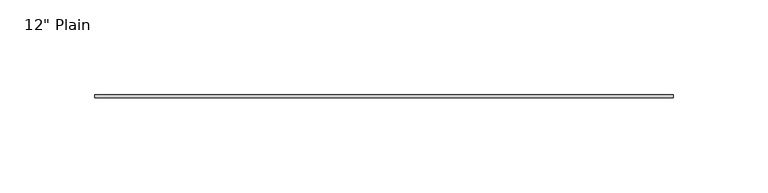
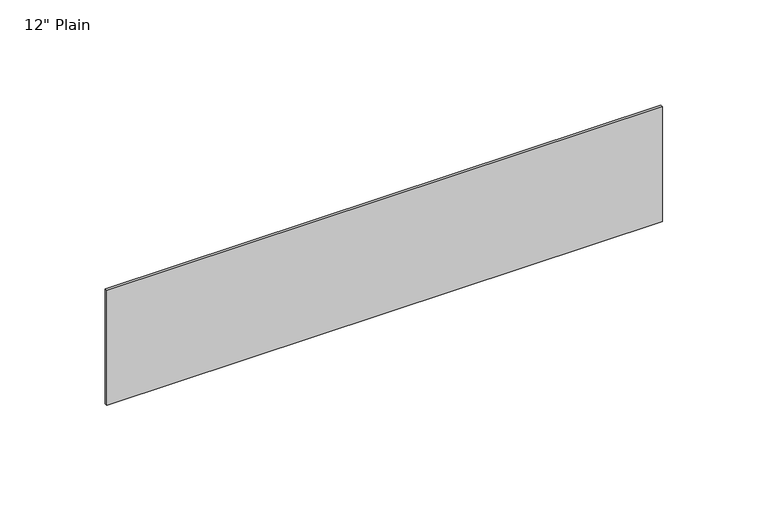
"""IFC4 building model written with IfcOpenShell, lengths in millimetres: furniture geometry."""

from ifc_helpers import new_model, si_unit, frame, origin, place, context, project, spatial, polyline, outline, extrude, source, transform, mapped, element, save


def furniture_75d6bc76(model_context):
    return source(origin(), model_context, "Body", "SweptSolid", [
        extrude(outline(polyline([(171.1377049, -1.5875), (-133.6622951, -1.5875), (-133.6622951, 0.0), (171.1377049, 0.0), (171.1377049, -1.5875)])), frame((0.0, 0.0, 1060.45), z_axis=(0.0, 0.0, 1.0), x_axis=(1.0, 0.0, 0.0)), (0.0, 0.0, 1.0), 66.675),
    ])


if __name__ == "__main__":
    model = new_model("IFC4")
    model_context = context("Model", 3, world=origin())
    ifc_project = project(units=[si_unit("LENGTHUNIT", "METRE", prefix="MILLI")], contexts=[model_context])
    site = spatial("IfcSite", under=ifc_project)
    building = spatial("IfcBuilding", under=site)
    placement = place(None, origin())
    furniture_shape = furniture_75d6bc76(model_context)
    element("IfcFurniture", 1, ObjectType="12\" Plain", at=placement, inside=building, context=model_context, shape_type="MappedRepresentation", body=[
        mapped(furniture_shape, transform((0.0, 0.0, 0.0), x_axis=(1.0, 0.0, 0.0), y_axis=(0.0, 1.0, 0.0), z_axis=(0.0, 0.0, 1.0))),
    ])
    save(model, "model.ifc")
